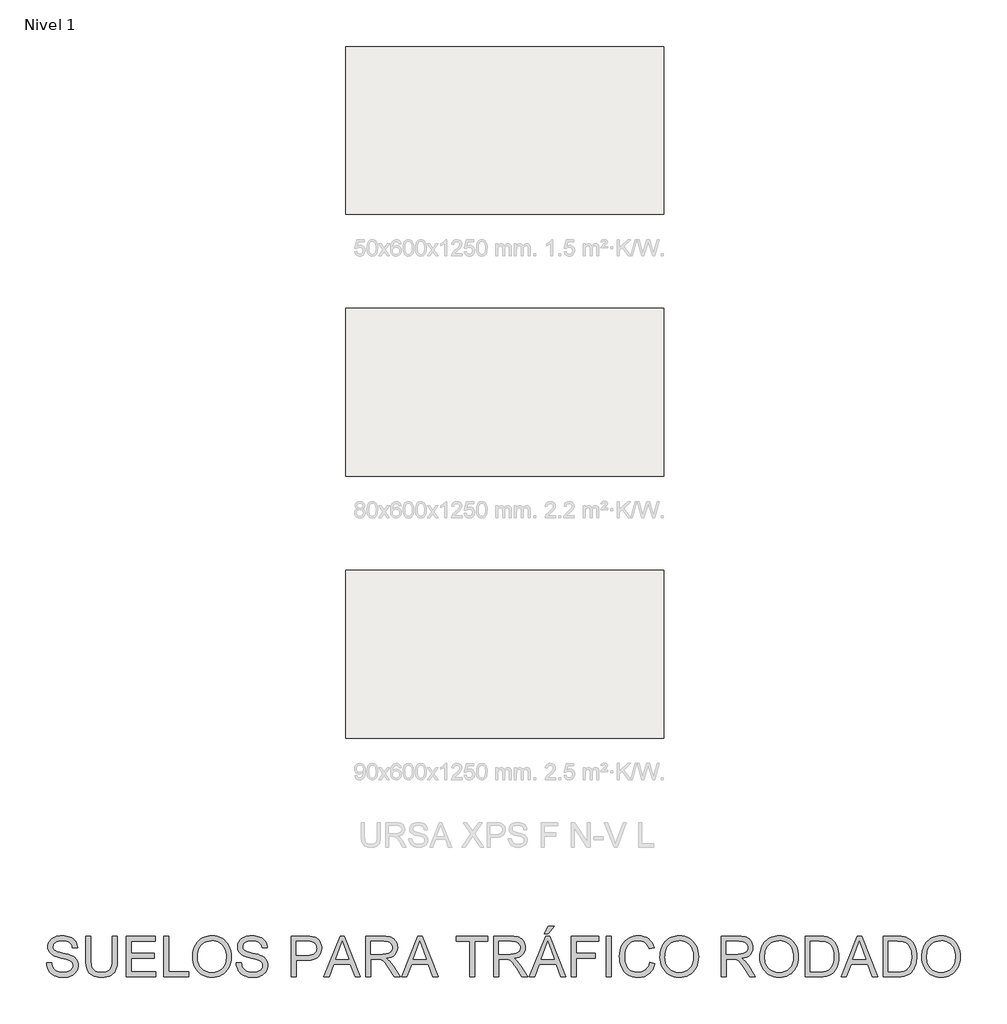
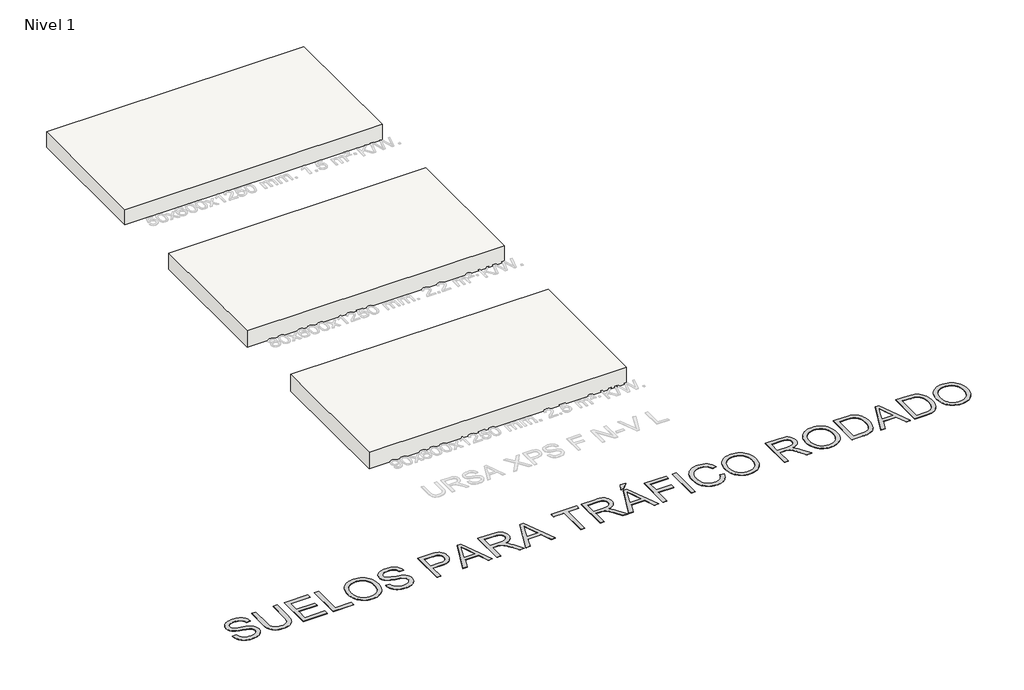
# One storey, part 1 of 4: 3 slabs, 1 proxy.
"""IFC4 building model written with IfcOpenShell, lengths in millimetres."""

from ifc_helpers import new_model, si_unit, frame, origin, origin_with_axes, place, context, project, spatial, polyline, outline, extrude, element, save

model = new_model("IFC4")

# Units and contexts
model_context = context("Model", 3, world=origin())
ifc_project = project(units=[si_unit("LENGTHUNIT", "METRE", prefix="MILLI")], contexts=[model_context])

# Site, building, storey
site = spatial("IfcSite", under=ifc_project)
building = spatial("IfcBuilding", under=site)
storey = spatial("IfcBuildingStorey", under=building, Name="Nivel 1", Elevation=0.0)

# Proxy
placement = place(None, origin())
element("IfcBuildingElementProxy", 1, Name="Texto de modelo 2", ObjectType="Texto de modelo 2", at=placement, inside=storey, context=model_context, shape_type="SweptSolid", body=[
    extrude(outline(polyline([(-27084.6042448, -17302.7125735), (-26959.0338571, -17302.7125735), (-26953.285701, -17339.2631825), (-26944.6251457, -17372.3955547), (-26933.0521912, -17402.10969), (-26918.5668377, -17428.4055885), (-26900.433321, -17451.8120804), (-26877.9158772, -17472.8579962), (-26851.0145063, -17491.5433359), (-26819.7292083, -17507.8680994), (-26785.2096144, -17521.1195155), (-26748.6053559, -17530.5848126), (-26709.9164327, -17536.2639909), (-26669.1428449, -17538.1570504), (-26599.1839522, -17532.4242226), (-26567.4694585, -17525.2581879), (-26537.9316, -17515.2257393), (-26511.2984764, -17502.6870947), (-26488.2981875, -17488.0024717), (-26468.9307333, -17471.1718704), (-26453.1961138, -17452.1952908), (-26441.0176869, -17431.8928032), (-26432.3188105, -17411.0844779), (-26427.0994847, -17389.7703148), (-26425.3597095, -17367.9503139), (-26430.5713711, -17325.919796), (-26446.2063559, -17289.591449), (-26459.3581372, -17273.4736191), (-26477.9668348, -17258.5973909), (-26502.0324486, -17244.9627644), (-26531.5549787, -17232.5697397), (-26597.8657084, -17212.8573961), (-26714.3923303, -17184.622453), (-26834.4138313, -17152.8926309), (-26878.2147813, -17137.6025355), (-26911.2091978, -17122.6956505), (-26944.7401088, -17102.692067), (-26973.7184801, -17080.4505347), (-26998.1443117, -17055.9710536), (-27018.0176037, -17029.2536237), (-27033.414998, -17000.5741565), (-27044.4131369, -16970.2085635), (-27051.0120201, -16938.1568447), (-27053.2116479, -16904.419), (-27050.490854, -16867.025328), (-27042.3284722, -16830.8732578), (-27028.7245026, -16795.9627893), (-27009.6789451, -16762.2939225), (-26985.4063977, -16731.2385508), (-26956.121458, -16704.1685673), (-26921.8241262, -16681.0839721), (-26882.5144021, -16661.9847652), (-26839.518194, -16647.0165665), (-26794.1614096, -16636.324996), (-26746.4440492, -16629.9100537), (-26696.3661126, -16627.7717396), (-26641.7356363, -16630.0096884), (-26590.416098, -16636.7235349), (-26542.4074976, -16647.9132789), (-26497.7098352, -16663.5789205), (-26457.1508452, -16683.582504), (-26421.5582622, -16707.7860736), (-26390.9320861, -16736.1896293), (-26365.2723169, -16768.7931711), (-26344.7782241, -16804.6463372), (-26329.6490771, -16842.7987658), (-26319.8848758, -16883.2504569), (-26315.4856202, -16926.0014104), (-26441.0560079, -16926.0014104), (-26449.4559802, -16885.9329298), (-26464.1099463, -16851.0761107), (-26485.0179064, -16821.4309533), (-26512.1798603, -16796.9974574), (-26546.101646, -16777.8982505), (-26587.289101, -16764.2559599), (-26635.7422255, -16756.0705855), (-26691.4610193, -16753.3421273), (-26748.9579095, -16756.0399286), (-26798.0854842, -16764.1333325), (-26838.8437436, -16777.622339), (-26871.2326876, -16796.5069481), (-26895.9114381, -16819.2083329), (-26913.5391171, -16844.1476665), (-26924.1157244, -16871.3249489), (-26927.6412602, -16900.7401801), (-26925.1427283, -16926.0473956), (-26917.6471327, -16948.9940351), (-26905.1544733, -16969.5800984), (-26887.6647501, -16987.8055856), (-26860.1349141, -17005.0653825), (-26816.7861523, -17022.5091205), (-26757.6184648, -17040.1367994), (-26682.6318514, -17057.9484193), (-26544.1855939, -17091.6096219), (-26495.4718864, -17106.8307394), (-26460.4311263, -17120.9788678), (-26421.9338084, -17142.4233225), (-26388.8474214, -17166.5349216), (-26361.1719655, -17193.3136651), (-26338.9074406, -17222.7595532), (-26321.7932636, -17254.7193015), (-26309.5688515, -17289.039626), (-26302.2342042, -17325.7205266), (-26299.7893218, -17364.7620033), (-26302.6020862, -17404.0410705), (-26311.0403795, -17442.1705065), (-26325.1042016, -17479.1503112), (-26344.7935525, -17514.9804847), (-26369.7635429, -17548.2738052), (-26399.6692835, -17577.6430512), (-26434.5107741, -17603.0882225), (-26474.2880148, -17624.6093192), (-26517.8437102, -17641.7234962), (-26564.0205648, -17653.9479084), (-26612.8185786, -17661.2825556), (-26664.2377517, -17663.7274381), (-26728.4714809, -17661.0909504), (-26787.2636222, -17653.1814875), (-26840.6141757, -17639.9990494), (-26888.5231414, -17621.5436359), (-26931.2817591, -17597.7845904), (-26969.1812688, -17568.691256), (-27002.2216705, -17534.2636326), (-27030.4029642, -17494.5017203), (-27053.104349, -17450.693106), (-27069.705024, -17404.1253768), (-27080.2049893, -17354.7985326), (-27084.6042448, -17302.7125735)])), origin_with_axes(), (0.0, 0.0, 1.0), 10.0),
    extrude(outline(polyline([(-25452.1892049, -16643.4680381), (-25326.6188172, -16643.4680381), (-25326.6188172, -17223.0048078), (-25328.7494671, -17294.7647895), (-25335.1414168, -17358.7226072), (-25345.7946662, -17414.8782609), (-25360.7092154, -17463.2317507), (-25381.1726514, -17505.6148222), (-25408.4725611, -17543.8592213), (-25442.6089446, -17577.9649479), (-25483.5818018, -17607.9320021), (-25531.437118, -17632.3425053), (-25586.2208785, -17649.7785791), (-25647.9330832, -17660.2402233), (-25716.5737321, -17663.7274381), (-25783.520591, -17660.6924116), (-25844.0755003, -17651.5873322), (-25898.2384598, -17636.4121999), (-25946.0094698, -17615.1670147), (-25987.3961942, -17588.1660091), (-26022.4062974, -17555.7234156), (-26051.0397794, -17517.8392343), (-26073.2966401, -17474.5134652), (-26089.9816214, -17424.2592518), (-26101.8994652, -17365.5897378), (-26109.0501715, -17298.5049231), (-26111.4337402, -17223.0048078), (-26111.4337402, -16643.4680381), (-25985.8633526, -16643.4680381), (-25985.8633526, -17218.5902239), (-25984.3151825, -17279.2984173), (-25979.6706723, -17331.4380259), (-25971.929822, -17375.0090497), (-25961.0926316, -17410.0114887), (-25946.4846507, -17438.9745316), (-25927.431429, -17464.4273672), (-25903.9329666, -17486.3699953), (-25875.9892633, -17504.8024161), (-25844.1368139, -17519.3950686), (-25808.9121129, -17529.8183918), (-25770.3151602, -17536.0723857), (-25728.3459559, -17538.1570504), (-25659.1381556, -17534.0337063), (-25600.6295899, -17521.6636743), (-25552.820259, -17501.0469541), (-25532.9278065, -17487.646086), (-25515.7101627, -17472.1835459), (-25500.8224382, -17453.7894461), (-25487.9197437, -17431.5938991), (-25468.0694444, -17375.7984632), (-25456.1592648, -17304.7972381), (-25452.1892049, -17218.5902239), (-25452.1892049, -16643.4680381)])), origin_with_axes(), (0.0, 0.0, 1.0), 10.0),
    extrude(outline(polyline([(-25106.8706388, -17648.0311396), (-25106.8706388, -16643.4680381), (-24384.8409096, -16643.4680381), (-24384.8409096, -16769.0384258), (-24981.3002511, -16769.0384258), (-24981.3002511, -17067.2680965), (-24416.2335065, -17067.2680965), (-24416.2335065, -17192.8384842), (-24981.3002511, -17192.8384842), (-24981.3002511, -17522.4607519), (-24369.1446111, -17522.4607519), (-24369.1446111, -17648.0311396), (-25106.8706388, -17648.0311396)])), origin_with_axes(), (0.0, 0.0, 1.0), 10.0),
    extrude(outline(polyline([(-24180.7890296, -17648.0311396), (-24180.7890296, -16643.4680381), (-24055.2186419, -16643.4680381), (-24055.2186419, -17522.4607519), (-23552.9370911, -17522.4607519), (-23552.9370911, -17648.0311396), (-24180.7890296, -17648.0311396)])), origin_with_axes(), (0.0, 0.0, 1.0), 10.0),
    extrude(outline(polyline([(-23458.7593004, -17158.9933407), (-23456.6669715, -17098.3886141), (-23450.389985, -17041.1638033), (-23439.9283407, -16987.3189084), (-23425.2820388, -16936.8539293), (-23406.4510792, -16889.768866), (-23383.4354618, -16846.0637185), (-23356.2351868, -16805.7384869), (-23324.8502541, -16768.7931711), (-23290.1582156, -16735.7412731), (-23253.036623, -16707.0962949), (-23213.4854764, -16682.8582363), (-23171.5047758, -16663.0270975), (-23127.0945212, -16647.6028784), (-23080.2547126, -16636.5855791), (-23030.9853499, -16629.9751995), (-22979.2864333, -16627.7717396), (-22911.7034451, -16631.9104121), (-22847.5233654, -16644.3264294), (-22786.7461941, -16665.0197917), (-22729.3719313, -16693.9904988), (-22677.0100606, -16730.364831), (-22631.2700659, -16773.2690687), (-22592.1519471, -16822.7032118), (-22559.6557041, -16878.6672604), (-22534.1185623, -16939.8889557), (-22515.8777467, -17005.0960394), (-22504.9332574, -17074.2885113), (-22501.2850942, -17147.4663715), (-22505.1248626, -17221.6099219), (-22516.6441675, -17291.7374273), (-22535.8430092, -17357.8488875), (-22562.7213874, -17419.9443026), (-22596.6431731, -17476.383532), (-22636.9722368, -17525.5264352), (-22683.7085786, -17567.3730122), (-22736.8521985, -17601.9232629), (-22794.3107676, -17628.9625895), (-22853.9919571, -17648.2763943), (-22915.895767, -17659.8646771), (-22980.0221973, -17663.7274381), (-23048.7854736, -17659.4584741), (-23113.8086162, -17646.6515821), (-23175.0916252, -17625.3067622), (-23232.6345007, -17595.4240143), (-23284.9350576, -17558.1606339), (-23330.4911114, -17514.6739163), (-23369.3026619, -17464.9638617), (-23401.3697091, -17409.0304701), (-23426.4776553, -17349.1193543), (-23444.4119025, -17287.4761275), (-23455.1724509, -17224.1007896), (-23458.7593004, -17158.9933407)]), holes=[polyline([(-23333.1889127, -17160.219614), (-23331.619666, -17203.0127207), (-23326.9119261, -17243.4682438), (-23319.065693, -17281.5861835), (-23308.0809665, -17317.3665396), (-23293.9577468, -17350.8093122), (-23276.6960338, -17381.9145013), (-23256.2958275, -17410.6821069), (-23232.757128, -17437.112129), (-23206.8501881, -17460.7945325), (-23179.3452608, -17481.3192821), (-23150.2423461, -17498.686378), (-23119.541444, -17512.89582), (-23087.2425544, -17523.9476083), (-23053.3456775, -17531.8417428), (-23017.8508131, -17536.5782235), (-22980.7579613, -17538.1570504), (-22942.9868271, -17536.5628951), (-22906.9286434, -17531.7804291), (-22872.5834102, -17523.8096526), (-22839.9511276, -17512.6505654), (-22809.0317956, -17498.3031676), (-22779.8254141, -17480.7674591), (-22752.3319831, -17460.0434401), (-22726.5515026, -17436.1311104), (-22703.1852478, -17409.287221), (-22682.9344936, -17379.768523), (-22665.79924, -17347.5750164), (-22651.7794871, -17312.706701), (-22640.8752348, -17275.163577), (-22633.0864832, -17234.9456443), (-22628.4132323, -17192.0529029), (-22626.8554819, -17146.4853528), (-22629.5226264, -17089.0191195), (-22637.5240598, -17035.3236766), (-22650.8597821, -16985.3990242), (-22669.5297934, -16939.2451622), (-22693.3271599, -16897.4675631), (-22722.0449482, -16860.6716994), (-22755.6831581, -16828.857571), (-22794.2417897, -16802.025178), (-22836.5252266, -16780.7263433), (-22881.3378521, -16765.51289), (-22928.6796664, -16756.384818), (-22978.5506693, -16753.3421273), (-23048.616861, -16759.2052466), (-23113.6246752, -16776.7946045), (-23144.2316908, -16789.9866229), (-23173.574112, -16806.110201), (-23228.4651714, -16847.1520361), (-23253.0097982, -16872.5646345), (-23274.2818082, -16901.8974755), (-23292.2812012, -16935.150559), (-23307.0079774, -16972.323885), (-23318.4621366, -17013.4174535), (-23326.6436788, -17058.4312645), (-23331.5526042, -17107.365318), (-23333.1889127, -17160.219614)])]), origin_with_axes(), (0.0, 0.0, 1.0), 10.0),
    extrude(outline(polyline([(-22375.7147066, -17302.7125735), (-22250.1443189, -17302.7125735), (-22244.3961627, -17339.2631825), (-22235.7356074, -17372.3955547), (-22224.162653, -17402.10969), (-22209.6772994, -17428.4055885), (-22191.5437827, -17451.8120804), (-22169.0263389, -17472.8579962), (-22142.124968, -17491.5433359), (-22110.83967, -17507.8680994), (-22076.3200762, -17521.1195155), (-22039.7158176, -17530.5848126), (-22001.0268945, -17536.2639909), (-21960.2533067, -17538.1570504), (-21890.2944139, -17532.4242226), (-21858.5799203, -17525.2581879), (-21829.0420617, -17515.2257393), (-21802.4089381, -17502.6870947), (-21779.4086492, -17488.0024717), (-21760.041195, -17471.1718704), (-21744.3065755, -17452.1952908), (-21732.1281486, -17431.8928032), (-21723.4292723, -17411.0844779), (-21718.2099465, -17389.7703148), (-21716.4701712, -17367.9503139), (-21721.6818328, -17325.919796), (-21737.3168176, -17289.591449), (-21750.4685989, -17273.4736191), (-21769.0772965, -17258.5973909), (-21793.1429104, -17244.9627644), (-21822.6654405, -17232.5697397), (-21888.9761701, -17212.8573961), (-22005.5027921, -17184.622453), (-22125.524293, -17152.8926309), (-22169.3252431, -17137.6025355), (-22202.3196595, -17122.6956505), (-22235.8505705, -17102.692067), (-22264.8289418, -17080.4505347), (-22289.2547735, -17055.9710536), (-22309.1280654, -17029.2536237), (-22324.5254598, -17000.5741565), (-22335.5235986, -16970.2085635), (-22342.1224819, -16938.1568447), (-22344.3221096, -16904.419), (-22341.6013157, -16867.025328), (-22333.4389339, -16830.8732578), (-22319.8349643, -16795.9627893), (-22300.7894069, -16762.2939225), (-22276.5168594, -16731.2385508), (-22247.2319197, -16704.1685673), (-22212.9345879, -16681.0839721), (-22173.6248639, -16661.9847652), (-22130.6286557, -16647.0165665), (-22085.2718714, -16636.324996), (-22037.5545109, -16629.9100537), (-21987.4765743, -16627.7717396), (-21932.846098, -16630.0096884), (-21881.5265597, -16636.7235349), (-21833.5179593, -16647.9132789), (-21788.8202969, -16663.5789205), (-21748.261307, -16683.582504), (-21712.6687239, -16707.7860736), (-21682.0425478, -16736.1896293), (-21656.3827787, -16768.7931711), (-21635.8886858, -16804.6463372), (-21620.7595388, -16842.7987658), (-21610.9953375, -16883.2504569), (-21606.596082, -16926.0014104), (-21732.1664697, -16926.0014104), (-21740.5664419, -16885.9329298), (-21755.220408, -16851.0761107), (-21776.1283681, -16821.4309533), (-21803.2903221, -16796.9974574), (-21837.2121077, -16777.8982505), (-21878.3995627, -16764.2559599), (-21926.8526872, -16756.0705855), (-21982.571481, -16753.3421273), (-22040.0683712, -16756.0399286), (-22089.195946, -16764.1333325), (-22129.9542054, -16777.622339), (-22162.3431494, -16796.5069481), (-22187.0218999, -16819.2083329), (-22204.6495788, -16844.1476665), (-22215.2261862, -16871.3249489), (-22218.751722, -16900.7401801), (-22216.2531901, -16926.0473956), (-22208.7575944, -16948.9940351), (-22196.264935, -16969.5800984), (-22178.7752118, -16987.8055856), (-22151.2453758, -17005.0653825), (-22107.8966141, -17022.5091205), (-22048.7289265, -17040.1367994), (-21973.7423132, -17057.9484193), (-21835.2960556, -17091.6096219), (-21786.5823481, -17106.8307394), (-21751.5415881, -17120.9788678), (-21713.0442701, -17142.4233225), (-21679.9578832, -17166.5349216), (-21652.2824273, -17193.3136651), (-21630.0179023, -17222.7595532), (-21612.9037254, -17254.7193015), (-21600.6793132, -17289.039626), (-21593.3446659, -17325.7205266), (-21590.8997835, -17364.7620033), (-21593.7125479, -17404.0410705), (-21602.1508412, -17442.1705065), (-21616.2146633, -17479.1503112), (-21635.9040143, -17514.9804847), (-21660.8740047, -17548.2738052), (-21690.7797452, -17577.6430512), (-21725.6212358, -17603.0882225), (-21765.3984766, -17624.6093192), (-21808.954172, -17641.7234962), (-21855.1310266, -17653.9479084), (-21903.9290404, -17661.2825556), (-21955.3482134, -17663.7274381), (-22019.5819426, -17661.0909504), (-22078.374084, -17653.1814875), (-22131.7246375, -17639.9990494), (-22179.6336031, -17621.5436359), (-22222.3922209, -17597.7845904), (-22260.2917306, -17568.691256), (-22293.3321323, -17534.2636326), (-22321.5134259, -17494.5017203), (-22344.2148107, -17450.693106), (-22360.8154858, -17404.1253768), (-22371.315451, -17354.7985326), (-22375.7147066, -17302.7125735)])), origin_with_axes(), (0.0, 0.0, 1.0), 10.0),
    extrude(outline(polyline([(-21010.1367405, -17648.0311396), (-21010.1367405, -16643.4680381), (-20637.8401613, -16643.4680381), (-20551.1426378, -16645.8592711), (-20487.7443073, -16653.03297), (-20452.803182, -16660.5668867), (-20420.820441, -16670.9059036), (-20391.7960844, -16684.0500207), (-20365.7301122, -16699.999238), (-20342.3466129, -16719.0831165), (-20321.369675, -16741.6312171), (-20302.7992984, -16767.6435399), (-20286.6354833, -16797.1200848), (-20273.5450156, -16829.0874973), (-20264.1946816, -16862.5724231), (-20258.5844812, -16897.5748621), (-20256.7144143, -16934.0948143), (-20261.7651276, -16995.7610337), (-20276.9172672, -17052.4915031), (-20302.1708334, -17104.2862223), (-20337.525826, -17151.1451914), (-20359.7616101, -17171.9535168), (-20386.0632567, -17189.9873988), (-20416.4307658, -17205.2468374), (-20450.8641373, -17217.7318326), (-20489.3633713, -17227.4423844), (-20531.9284678, -17234.3784929), (-20629.2562481, -17239.9273796), (-20884.5663528, -17239.9273796), (-20884.5663528, -17648.0311396), (-21010.1367405, -17648.0311396)]), holes=[polyline([(-20884.5663528, -17114.3569919), (-20621.8986082, -17114.3569919), (-20561.5046473, -17111.4752496), (-20510.552991, -17102.8300227), (-20469.0436392, -17088.4213113), (-20436.976592, -17068.2491152), (-20413.0489339, -17042.8499291), (-20395.9577495, -17012.7602476), (-20385.7030389, -16977.9800706), (-20382.284802, -16938.5093982), (-20384.3004888, -16909.201466), (-20390.3475491, -16882.1008256), (-20400.4259829, -16857.2074773), (-20414.5357903, -16834.5214209), (-20431.9258788, -16814.7784205), (-20451.845156, -16798.7142401), (-20474.2936219, -16786.3288796), (-20499.2712765, -16777.622339), (-20547.7090725, -16771.1844041), (-20624.8416642, -16769.0384258), (-20884.5663528, -16769.0384258), (-20884.5663528, -17114.3569919)])]), origin_with_axes(), (0.0, 0.0, 1.0), 10.0),
    extrude(outline(polyline([(-20201.0416057, -17648.0311396), (-19800.050231, -16643.4680381), (-19693.1191977, -16643.4680381), (-19292.127823, -17648.0311396), (-19424.8105959, -17648.0311396), (-19539.8350331, -17334.1051704), (-19953.5796503, -17334.1051704), (-20068.3588328, -17648.0311396), (-20201.0416057, -17648.0311396)]), holes=[polyline([(-19907.4717736, -17208.5347827), (-19585.6976551, -17208.5347827), (-19676.196626, -16961.5633366), (-19746.5847144, -16769.0384258), (-19809.1246535, -16939.9809262), (-19907.4717736, -17208.5347827)])]), origin_with_axes(), (0.0, 0.0, 1.0), 10.0),
    extrude(outline(polyline([(-19157.9735221, -17648.0311396), (-19157.9735221, -16643.4680381), (-18725.0990411, -16643.4680381), (-18662.9653049, -16645.1618281), (-18608.7563601, -16650.2431982), (-18562.4722066, -16658.7121483), (-18524.1128444, -16670.5686784), (-18491.4479889, -16686.7248294), (-18462.2473555, -16708.0926419), (-18436.5109443, -16734.6721161), (-18414.2387552, -16766.4632518), (-18396.2661869, -16801.7569307), (-18383.4286381, -16838.8440344), (-18375.7261088, -16877.7245627), (-18373.158599, -16918.3985158), (-18377.4122346, -16969.9939657), (-18390.1731413, -17017.3587725), (-18411.4413192, -17060.4929365), (-18441.2167681, -17099.3964575), (-18479.8826987, -17132.8277338), (-18527.8223212, -17159.5451637), (-18585.0356356, -17179.5487472), (-18651.5226421, -17192.8384842), (-18610.1359176, -17219.8778109), (-18580.153535, -17246.5492555), (-18528.7113693, -17307.5563531), (-18478.3728497, -17375.7984632), (-18310.8639145, -17648.0311396), (-18456.7904393, -17648.0311396), (-18587.5111749, -17439.8099303), (-18639.8117319, -17360.3474194), (-18681.9342203, -17301.9768095), (-18717.036294, -17261.7857015), (-18748.2756068, -17236.8616963), (-18777.8594506, -17222.238387), (-18807.9951173, -17212.9493666), (-18880.8357524, -17208.5347827), (-19032.4031344, -17208.5347827), (-19032.4031344, -17648.0311396), (-19157.9735221, -17648.0311396)]), holes=[polyline([(-19032.4031344, -17082.964395), (-18751.3412901, -17082.964395), (-18670.621849, -17078.5191542), (-18607.9899393, -17065.1834319), (-18582.805351, -17054.9593781), (-18560.8397302, -17042.0681799), (-18542.0930769, -17026.5098372), (-18526.565391, -17008.28435), (-18514.3869641, -16988.2884307), (-18505.6880878, -16967.4187917), (-18500.468762, -16945.6754329), (-18498.7289867, -16923.0583544), (-18502.0475889, -16890.9453219), (-18512.0033954, -16861.8060022), (-18528.5964062, -16835.6403953), (-18551.8266214, -16812.4485012), (-18582.2305354, -16793.4565932), (-18620.344643, -16779.8909446), (-18666.168944, -16771.7515555), (-18719.7034385, -16769.0384258), (-19032.4031344, -16769.0384258), (-19032.4031344, -17082.964395)])]), origin_with_axes(), (0.0, 0.0, 1.0), 10.0),
    extrude(outline(polyline([(-18270.3968951, -17648.0311396), (-17869.4055203, -16643.4680381), (-17762.474487, -16643.4680381), (-17361.4831123, -17648.0311396), (-17494.1658852, -17648.0311396), (-17609.1903224, -17334.1051704), (-18022.9349396, -17334.1051704), (-18137.7141221, -17648.0311396), (-18270.3968951, -17648.0311396)]), holes=[polyline([(-17976.8270629, -17208.5347827), (-17655.0529445, -17208.5347827), (-17745.5519153, -16961.5633366), (-17815.9400037, -16769.0384258), (-17878.4799429, -16939.9809262), (-17976.8270629, -17208.5347827)])]), origin_with_axes(), (0.0, 0.0, 1.0), 10.0),
    extrude(outline(polyline([(-16583.7805745, -17648.0311396), (-16583.7805745, -16769.0384258), (-16913.4028422, -16769.0384258), (-16913.4028422, -16643.4680381), (-16128.5879191, -16643.4680381), (-16128.5879191, -16769.0384258), (-16458.2101868, -16769.0384258), (-16458.2101868, -17648.0311396), (-16583.7805745, -17648.0311396)])), origin_with_axes(), (0.0, 0.0, 1.0), 10.0),
    extrude(outline(polyline([(-15987.321233, -17648.0311396), (-15987.321233, -16643.4680381), (-15554.446752, -16643.4680381), (-15492.3130158, -16645.1618281), (-15438.104071, -16650.2431982), (-15391.8199175, -16658.7121483), (-15353.4605553, -16670.5686784), (-15320.7956998, -16686.7248294), (-15291.5950664, -16708.0926419), (-15265.8586552, -16734.6721161), (-15243.5864661, -16766.4632518), (-15225.6138978, -16801.7569307), (-15212.776349, -16838.8440344), (-15205.0738197, -16877.7245627), (-15202.5063099, -16918.3985158), (-15206.7599455, -16969.9939657), (-15219.5208522, -17017.3587725), (-15240.7890301, -17060.4929365), (-15270.564479, -17099.3964575), (-15309.2304096, -17132.8277338), (-15357.1700321, -17159.5451637), (-15414.3833465, -17179.5487472), (-15480.870353, -17192.8384842), (-15439.4836285, -17219.8778109), (-15409.5012459, -17246.5492555), (-15358.0590802, -17307.5563531), (-15307.7205606, -17375.7984632), (-15140.2116254, -17648.0311396), (-15286.1381502, -17648.0311396), (-15416.8588858, -17439.8099303), (-15469.1594428, -17360.3474194), (-15511.2819312, -17301.9768095), (-15546.3840049, -17261.7857015), (-15577.6233177, -17236.8616963), (-15607.2071615, -17222.238387), (-15637.3428282, -17212.9493666), (-15710.1834633, -17208.5347827), (-15861.7508453, -17208.5347827), (-15861.7508453, -17648.0311396), (-15987.321233, -17648.0311396)]), holes=[polyline([(-15861.7508453, -17082.964395), (-15580.689001, -17082.964395), (-15499.9695599, -17078.5191542), (-15437.3376502, -17065.1834319), (-15412.1530619, -17054.9593781), (-15390.1874411, -17042.0681799), (-15371.4407878, -17026.5098372), (-15355.9131019, -17008.28435), (-15343.734675, -16988.2884307), (-15335.0357987, -16967.4187917), (-15329.8164729, -16945.6754329), (-15328.0766976, -16923.0583544), (-15331.3952998, -16890.9453219), (-15341.3511063, -16861.8060022), (-15357.9441171, -16835.6403953), (-15381.1743323, -16812.4485012), (-15411.5782463, -16793.4565932), (-15449.6923539, -16779.8909446), (-15495.5166549, -16771.7515555), (-15549.0511494, -16769.0384258), (-15861.7508453, -16769.0384258), (-15861.7508453, -17082.964395)])]), origin_with_axes(), (0.0, 0.0, 1.0), 10.0),
    extrude(outline(polyline([(-15099.744606, -17648.0311396), (-14698.7532312, -16643.4680381), (-14591.8221979, -16643.4680381), (-14190.8308232, -17648.0311396), (-14323.5135961, -17648.0311396), (-14438.5380333, -17334.1051704), (-14852.2826505, -17334.1051704), (-14967.061833, -17648.0311396), (-15099.744606, -17648.0311396)]), holes=[polyline([(-14806.1747738, -17208.5347827), (-14484.4006554, -17208.5347827), (-14574.8996262, -16961.5633366), (-14645.2877146, -16769.0384258), (-14707.8276538, -16939.9809262), (-14806.1747738, -17208.5347827)])]), origin_with_axes(), (0.0, 0.0, 1.0), 10.0),
    extrude(outline(polyline([(-14731.6173561, -16580.6828443), (-14637.4395653, -16392.3272627), (-14480.4765807, -16392.3272627), (-14637.4395653, -16580.6828443), (-14731.6173561, -16580.6828443)])), origin_with_axes(), (0.0, 0.0, 1.0), 10.0),
    extrude(outline(polyline([(-14056.6765223, -17648.0311396), (-14056.6765223, -16643.4680381), (-13381.7356885, -16643.4680381), (-13381.7356885, -16769.0384258), (-13931.1061346, -16769.0384258), (-13931.1061346, -17067.2680965), (-13460.2171808, -17067.2680965), (-13460.2171808, -17192.8384842), (-13931.1061346, -17192.8384842), (-13931.1061346, -17648.0311396), (-14056.6765223, -17648.0311396)])), origin_with_axes(), (0.0, 0.0, 1.0), 10.0),
    extrude(outline(polyline([(-13193.3801069, -17648.0311396), (-13193.3801069, -16643.4680381), (-13067.8097193, -16643.4680381), (-13067.8097193, -17648.0311396), (-13193.3801069, -17648.0311396)])), origin_with_axes(), (0.0, 0.0, 1.0), 10.0),
    extrude(outline(polyline([(-12110.3355131, -17290.9403496), (-11984.7651255, -17323.3139652), (-12009.6124886, -17401.4045829), (-12042.7065397, -17469.6390288), (-12084.0472789, -17528.0173029), (-12107.8101565, -17553.5103755), (-12133.6347062, -17576.5394052), (-12190.3498471, -17614.6841696), (-12253.0737273, -17641.9304298), (-12321.8063467, -17658.278186), (-12396.5477054, -17663.7274381), (-12473.1208099, -17659.604094), (-12542.1983187, -17647.2340619), (-12603.7802318, -17626.6173418), (-12657.8665493, -17597.7539336), (-12705.2006993, -17561.073033), (-12746.5261101, -17517.0038357), (-12781.8427817, -17465.5463416), (-12811.150714, -17406.7005508), (-12834.1663313, -17343.0109803), (-12850.6060579, -17277.0221475), (-12860.4698939, -17208.7340521), (-12863.7578393, -17138.1466943), (-12860.0406983, -17062.4089885), (-12848.8892753, -16991.6683465), (-12830.3035703, -16925.9247683), (-12804.2835834, -16865.1782539), (-12771.4117943, -16810.4328145), (-12732.2706828, -16762.6924614), (-12686.860249, -16721.9571946), (-12635.1804929, -16688.2270142), (-12578.9865182, -16661.7778316), (-12520.0334284, -16642.8855583), (-12458.3212238, -16631.5501943), (-12393.8499041, -16627.7717396), (-12322.0286087, -16632.6615045), (-12256.1700674, -16647.3307991), (-12196.2742801, -16671.7796233), (-12142.3412467, -16706.0079773), (-12095.2600156, -16749.1114844), (-12055.9196347, -16800.185768), (-12024.3201042, -16859.2308283), (-12000.4614239, -16926.2466651), (-12126.0318116, -16956.167734), (-12145.8054688, -16906.7872404), (-12169.5645144, -16864.595774), (-12197.3089482, -16829.593335), (-12229.0387703, -16801.7799234), (-12264.9379216, -16780.5883876), (-12305.1903433, -16765.4515763), (-12349.7960352, -16756.3694896), (-12398.7549974, -16753.3421273), (-12455.0869279, -16756.6990505), (-12506.6057356, -16766.7698202), (-12553.3114206, -16783.5544362), (-12595.2039828, -16807.0528986), (-12631.7545919, -16836.2075467), (-12662.4344174, -16869.9607198), (-12687.2434595, -16908.3124178), (-12706.181718, -16951.2626407), (-12720.1842264, -16996.8646797), (-12730.1860182, -17043.1718259), (-12736.1870932, -17090.1840792), (-12738.1874516, -17137.9014396), (-12735.8192112, -17197.8662048), (-12728.7144902, -17253.9068954), (-12716.8732885, -17306.0235114), (-12700.2956061, -17354.2160528), (-12678.7131957, -17397.5264935), (-12651.85781, -17434.9968076), (-12619.7294491, -17466.6269949), (-12582.328113, -17492.4170556), (-12541.4702189, -17512.4283033), (-12498.9721842, -17526.7220517), (-12454.834009, -17535.2983007), (-12409.0556932, -17538.1570504), (-12354.463538, -17534.2636326), (-12304.2399814, -17522.5833792), (-12258.3850236, -17503.1162903), (-12216.8986644, -17475.8623659), (-12180.7619226, -17440.9442331), (-12150.9558168, -17398.4845195), (-12127.480347, -17348.483225), (-12110.3355131, -17290.9403496)])), origin_with_axes(), (0.0, 0.0, 1.0), 10.0),
    extrude(outline(polyline([(-11859.1947378, -17158.9933407), (-11857.1024089, -17098.3886141), (-11850.8254224, -17041.1638033), (-11840.3637781, -16987.3189084), (-11825.7174762, -16936.8539293), (-11806.8865166, -16889.768866), (-11783.8708993, -16846.0637185), (-11756.6706242, -16805.7384869), (-11725.2856915, -16768.7931711), (-11690.593653, -16735.7412731), (-11653.4720604, -16707.0962949), (-11613.9209138, -16682.8582363), (-11571.9402132, -16663.0270975), (-11527.5299586, -16647.6028784), (-11480.69015, -16636.5855791), (-11431.4207874, -16629.9751995), (-11379.7218707, -16627.7717396), (-11312.1388825, -16631.9104121), (-11247.9588028, -16644.3264294), (-11187.1816315, -16665.0197917), (-11129.8073687, -16693.9904988), (-11077.445498, -16730.364831), (-11031.7055033, -16773.2690687), (-10992.5873845, -16822.7032118), (-10960.0911416, -16878.6672604), (-10934.5539997, -16939.8889557), (-10916.3131841, -17005.0960394), (-10905.3686948, -17074.2885113), (-10901.7205317, -17147.4663715), (-10905.5603, -17221.6099219), (-10917.079605, -17291.7374273), (-10936.2784466, -17357.8488875), (-10963.1568249, -17419.9443026), (-10997.0786105, -17476.383532), (-11037.4076742, -17525.5264352), (-11084.144016, -17567.3730122), (-11137.2876359, -17601.9232629), (-11194.746205, -17628.9625895), (-11254.4273945, -17648.2763943), (-11316.3312044, -17659.8646771), (-11380.4576347, -17663.7274381), (-11449.220911, -17659.4584741), (-11514.2440536, -17646.6515821), (-11575.5270627, -17625.3067622), (-11633.0699381, -17595.4240143), (-11685.3704951, -17558.1606339), (-11730.9265488, -17514.6739163), (-11769.7380993, -17464.9638617), (-11801.8051465, -17409.0304701), (-11826.9130927, -17349.1193543), (-11844.84734, -17287.4761275), (-11855.6078883, -17224.1007896), (-11859.1947378, -17158.9933407)]), holes=[polyline([(-11733.6243501, -17160.219614), (-11732.0551035, -17203.0127207), (-11727.3473635, -17243.4682438), (-11719.5011304, -17281.5861835), (-11708.5164039, -17317.3665396), (-11694.3931842, -17350.8093122), (-11677.1314712, -17381.9145013), (-11656.7312649, -17410.6821069), (-11633.1925654, -17437.112129), (-11607.2856255, -17460.7945325), (-11579.7806982, -17481.3192821), (-11550.6777835, -17498.686378), (-11519.9768814, -17512.89582), (-11487.6779918, -17523.9476083), (-11453.7811149, -17531.8417428), (-11418.2862505, -17536.5782235), (-11381.1933987, -17538.1570504), (-11343.4222645, -17536.5628951), (-11307.3640808, -17531.7804291), (-11273.0188477, -17523.8096526), (-11240.3865651, -17512.6505654), (-11209.467233, -17498.3031676), (-11180.2608515, -17480.7674591), (-11152.7674205, -17460.0434401), (-11126.98694, -17436.1311104), (-11103.6206852, -17409.287221), (-11083.369931, -17379.768523), (-11066.2346774, -17347.5750164), (-11052.2149245, -17312.706701), (-11041.3106723, -17275.163577), (-11033.5219206, -17234.9456443), (-11028.8486697, -17192.0529029), (-11027.2909193, -17146.4853528), (-11029.9580638, -17089.0191195), (-11037.9594972, -17035.3236766), (-11051.2952195, -16985.3990242), (-11069.9652308, -16939.2451622), (-11093.7625974, -16897.4675631), (-11122.4803856, -16860.6716994), (-11156.1185955, -16828.857571), (-11194.6772272, -16802.025178), (-11236.960664, -16780.7263433), (-11281.7732895, -16765.51289), (-11329.1151038, -16756.384818), (-11378.9861067, -16753.3421273), (-11449.0522984, -16759.2052466), (-11514.0601126, -16776.7946045), (-11544.6671282, -16789.9866229), (-11574.0095494, -16806.110201), (-11628.9006088, -16847.1520361), (-11653.4452357, -16872.5646345), (-11674.7172456, -16901.8974755), (-11692.7166386, -16935.150559), (-11707.4434148, -16972.323885), (-11718.897574, -17013.4174535), (-11727.0791163, -17058.4312645), (-11731.9880416, -17107.365318), (-11733.6243501, -17160.219614)])]), origin_with_axes(), (0.0, 0.0, 1.0), 10.0),
    extrude(outline(polyline([(-10336.6537871, -17648.0311396), (-10336.6537871, -16643.4680381), (-9903.7793061, -16643.4680381), (-9841.6455699, -16645.1618281), (-9787.4366251, -16650.2431982), (-9741.1524716, -16658.7121483), (-9702.7931094, -16670.5686784), (-9670.1282539, -16686.7248294), (-9640.9276205, -16708.0926419), (-9615.1912093, -16734.6721161), (-9592.9190202, -16766.4632518), (-9574.9464518, -16801.7569307), (-9562.1089031, -16838.8440344), (-9554.4063738, -16877.7245627), (-9551.838864, -16918.3985158), (-9556.0924996, -16969.9939657), (-9568.8534063, -17017.3587725), (-9590.1215841, -17060.4929365), (-9619.8970331, -17099.3964575), (-9658.5629637, -17132.8277338), (-9706.5025862, -17159.5451637), (-9763.7159006, -17179.5487472), (-9830.202907, -17192.8384842), (-9788.8161826, -17219.8778109), (-9758.8338, -17246.5492555), (-9707.3916343, -17307.5563531), (-9657.0531146, -17375.7984632), (-9489.5441795, -17648.0311396), (-9635.4707043, -17648.0311396), (-9766.1914399, -17439.8099303), (-9818.4919969, -17360.3474194), (-9860.6144853, -17301.9768095), (-9895.716559, -17261.7857015), (-9926.9558718, -17236.8616963), (-9956.5397156, -17222.238387), (-9986.6753823, -17212.9493666), (-10059.5160174, -17208.5347827), (-10211.0833994, -17208.5347827), (-10211.0833994, -17648.0311396), (-10336.6537871, -17648.0311396)]), holes=[polyline([(-10211.0833994, -17082.964395), (-9930.0215551, -17082.964395), (-9849.302114, -17078.5191542), (-9786.6702043, -17065.1834319), (-9761.485616, -17054.9593781), (-9739.5199952, -17042.0681799), (-9720.7733419, -17026.5098372), (-9705.245656, -17008.28435), (-9693.0672291, -16988.2884307), (-9684.3683528, -16967.4187917), (-9679.149027, -16945.6754329), (-9677.4092517, -16923.0583544), (-9680.7278539, -16890.9453219), (-9690.6836604, -16861.8060022), (-9707.2766712, -16835.6403953), (-9730.5068863, -16812.4485012), (-9760.9108004, -16793.4565932), (-9799.024908, -16779.8909446), (-9844.849209, -16771.7515555), (-9898.3837035, -16769.0384258), (-10211.0833994, -16769.0384258), (-10211.0833994, -17082.964395)])]), origin_with_axes(), (0.0, 0.0, 1.0), 10.0),
    extrude(outline(polyline([(-9379.179581, -17158.9933407), (-9377.0872521, -17098.3886141), (-9370.8102656, -17041.1638033), (-9360.3486213, -16987.3189084), (-9345.7023194, -16936.8539293), (-9326.8713598, -16889.768866), (-9303.8557424, -16846.0637185), (-9276.6554674, -16805.7384869), (-9245.2705347, -16768.7931711), (-9210.5784961, -16735.7412731), (-9173.4569036, -16707.0962949), (-9133.905757, -16682.8582363), (-9091.9250564, -16663.0270975), (-9047.5148018, -16647.6028784), (-9000.6749932, -16636.5855791), (-8951.4056305, -16629.9751995), (-8899.7067139, -16627.7717396), (-8832.1237257, -16631.9104121), (-8767.943646, -16644.3264294), (-8707.1664747, -16665.0197917), (-8649.7922119, -16693.9904988), (-8597.4303412, -16730.364831), (-8551.6903465, -16773.2690687), (-8512.5722277, -16822.7032118), (-8480.0759847, -16878.6672604), (-8454.5388429, -16939.8889557), (-8436.2980273, -17005.0960394), (-8425.353538, -17074.2885113), (-8421.7053748, -17147.4663715), (-8425.5451432, -17221.6099219), (-8437.0644481, -17291.7374273), (-8456.2632898, -17357.8488875), (-8483.141668, -17419.9443026), (-8517.0634537, -17476.383532), (-8557.3925174, -17525.5264352), (-8604.1288592, -17567.3730122), (-8657.2724791, -17601.9232629), (-8714.7310482, -17628.9625895), (-8774.4122377, -17648.2763943), (-8836.3160476, -17659.8646771), (-8900.4424779, -17663.7274381), (-8969.2057542, -17659.4584741), (-9034.2288968, -17646.6515821), (-9095.5119058, -17625.3067622), (-9153.0547813, -17595.4240143), (-9205.3553382, -17558.1606339), (-9250.911392, -17514.6739163), (-9289.7229425, -17464.9638617), (-9321.7899897, -17409.0304701), (-9346.8979359, -17349.1193543), (-9364.8321831, -17287.4761275), (-9375.5927315, -17224.1007896), (-9379.179581, -17158.9933407)]), holes=[polyline([(-9253.6091933, -17160.219614), (-9252.0399466, -17203.0127207), (-9247.3322067, -17243.4682438), (-9239.4859735, -17281.5861835), (-9228.5012471, -17317.3665396), (-9214.3780274, -17350.8093122), (-9197.1163144, -17381.9145013), (-9176.7161081, -17410.6821069), (-9153.1774086, -17437.112129), (-9127.2704687, -17460.7945325), (-9099.7655414, -17481.3192821), (-9070.6626267, -17498.686378), (-9039.9617246, -17512.89582), (-9007.662835, -17523.9476083), (-8973.7659581, -17531.8417428), (-8938.2710937, -17536.5782235), (-8901.1782419, -17538.1570504), (-8863.4071077, -17536.5628951), (-8827.348924, -17531.7804291), (-8793.0036908, -17523.8096526), (-8760.3714082, -17512.6505654), (-8729.4520762, -17498.3031676), (-8700.2456946, -17480.7674591), (-8672.7522637, -17460.0434401), (-8646.9717832, -17436.1311104), (-8623.6055284, -17409.287221), (-8603.3547742, -17379.768523), (-8586.2195206, -17347.5750164), (-8572.1997677, -17312.706701), (-8561.2955154, -17275.163577), (-8553.5067638, -17234.9456443), (-8548.8335129, -17192.0529029), (-8547.2757625, -17146.4853528), (-8549.942907, -17089.0191195), (-8557.9443404, -17035.3236766), (-8571.2800627, -16985.3990242), (-8589.950074, -16939.2451622), (-8613.7474405, -16897.4675631), (-8642.4652288, -16860.6716994), (-8676.1034387, -16828.857571), (-8714.6620703, -16802.025178), (-8756.9455072, -16780.7263433), (-8801.7581327, -16765.51289), (-8849.0999469, -16756.384818), (-8898.9709499, -16753.3421273), (-8969.0371416, -16759.2052466), (-9034.0449558, -16776.7946045), (-9064.6519714, -16789.9866229), (-9093.9943926, -16806.110201), (-9148.885452, -16847.1520361), (-9173.4300788, -16872.5646345), (-9194.7020888, -16901.8974755), (-9212.7014818, -16935.150559), (-9227.4282579, -16972.323885), (-9238.8824171, -17013.4174535), (-9247.0639594, -17058.4312645), (-9251.9728848, -17107.365318), (-9253.6091933, -17160.219614)])]), origin_with_axes(), (0.0, 0.0, 1.0), 10.0),
    extrude(outline(polyline([(-8249.0460918, -17648.0311396), (-8249.0460918, -16643.4680381), (-7902.5012523, -16643.4680381), (-7798.9424707, -16647.0855444), (-7723.2200933, -16657.9380632), (-7681.618771, -16669.8788997), (-7643.1444457, -16685.8357812), (-7607.7971173, -16705.8087079), (-7575.5767859, -16729.7976796), (-7538.3440623, -16765.7274878), (-7506.1084025, -16806.3171346), (-7478.8698065, -16851.56662), (-7456.6282742, -16901.4759441), (-7439.3531488, -16955.5852542), (-7427.0137735, -17013.4346979), (-7419.6101484, -17075.0242753), (-7417.1422733, -17140.3539863), (-7418.8130707, -17195.8811749), (-7423.8254629, -17248.1740677), (-7432.1794499, -17297.2326646), (-7443.8750317, -17343.0569656), (-7474.4092373, -17423.8377204), (-7492.5274255, -17458.5029342), (-7512.5463374, -17489.3513723), (-7556.4469222, -17541.0694495), (-7604.2715816, -17580.4634798), (-7659.1779693, -17609.6794416), (-7724.3237393, -17630.8633132), (-7799.8315188, -17643.739183), (-7885.8239352, -17648.0311396), (-8249.0460918, -17648.0311396)]), holes=[polyline([(-8123.4757041, -17522.4607519), (-7901.274979, -17522.4607519), (-7809.3657939, -17517.9235406), (-7771.7345314, -17512.2520265), (-7739.6521558, -17504.3119068), (-7687.0450305, -17482.4229281), (-7665.2480223, -17468.6733385), (-7646.4553837, -17453.0536822), (-7623.2864822, -17427.8767581), (-7602.8307104, -17398.6991174), (-7585.0880684, -17365.5207599), (-7570.058556, -17328.3416858), (-7558.094727, -17287.0852529), (-7549.5491348, -17241.6748191), (-7544.4217795, -17192.1103845), (-7542.712661, -17138.3919489), (-7546.06192, -17065.4900002), (-7556.109697, -17001.5398467), (-7572.855992, -16946.5414885), (-7596.300805, -16900.4949254), (-7624.5434123, -16862.3578252), (-7655.6830904, -16831.0878556), (-7689.7198391, -16806.6850166), (-7726.6536586, -16789.1493082), (-7758.5674217, -16780.3507971), (-7798.881157, -16774.0661464), (-7904.7085443, -16769.0384258), (-8123.4757041, -16769.0384258), (-8123.4757041, -17522.4607519)])]), origin_with_axes(), (0.0, 0.0, 1.0), 10.0),
    extrude(outline(polyline([(-7361.4694647, -17648.0311396), (-6960.47809, -16643.4680381), (-6853.5470567, -16643.4680381), (-6452.555682, -17648.0311396), (-6585.2384549, -17648.0311396), (-6700.2628921, -17334.1051704), (-7114.0075093, -17334.1051704), (-7228.7866918, -17648.0311396), (-7361.4694647, -17648.0311396)]), holes=[polyline([(-7067.8996326, -17208.5347827), (-6746.1255141, -17208.5347827), (-6836.624485, -16961.5633366), (-6907.0125734, -16769.0384258), (-6969.5525125, -16939.9809262), (-7067.8996326, -17208.5347827)])]), origin_with_axes(), (0.0, 0.0, 1.0), 10.0),
    extrude(outline(polyline([(-6318.4013811, -17648.0311396), (-6318.4013811, -16643.4680381), (-5971.8565416, -16643.4680381), (-5868.29776, -16647.0855444), (-5792.5753826, -16657.9380632), (-5750.9740604, -16669.8788997), (-5712.499735, -16685.8357812), (-5677.1524067, -16705.8087079), (-5644.9320752, -16729.7976796), (-5607.6993517, -16765.7274878), (-5575.4636918, -16806.3171346), (-5548.2250958, -16851.56662), (-5525.9835635, -16901.4759441), (-5508.7084381, -16955.5852542), (-5496.3690629, -17013.4346979), (-5488.9654377, -17075.0242753), (-5486.4975627, -17140.3539863), (-5488.1683601, -17195.8811749), (-5493.1807522, -17248.1740677), (-5501.5347392, -17297.2326646), (-5513.230321, -17343.0569656), (-5543.7645266, -17423.8377204), (-5561.8827148, -17458.5029342), (-5581.9016267, -17489.3513723), (-5625.8022115, -17541.0694495), (-5673.6268709, -17580.4634798), (-5728.5332587, -17609.6794416), (-5793.6790286, -17630.8633132), (-5869.1868081, -17643.739183), (-5955.1792245, -17648.0311396), (-6318.4013811, -17648.0311396)]), holes=[polyline([(-6192.8309934, -17522.4607519), (-5970.6302683, -17522.4607519), (-5878.7210832, -17517.9235406), (-5841.0898208, -17512.2520265), (-5809.0074451, -17504.3119068), (-5756.4003198, -17482.4229281), (-5734.6033116, -17468.6733385), (-5715.810673, -17453.0536822), (-5692.6417715, -17427.8767581), (-5672.1859997, -17398.6991174), (-5654.4433577, -17365.5207599), (-5639.4138453, -17328.3416858), (-5627.4500163, -17287.0852529), (-5618.9044241, -17241.6748191), (-5613.7770688, -17192.1103845), (-5612.0679503, -17138.3919489), (-5615.4172093, -17065.4900002), (-5625.4649863, -17001.5398467), (-5642.2112813, -16946.5414885), (-5665.6560943, -16900.4949254), (-5693.8987016, -16862.3578252), (-5725.0383797, -16831.0878556), (-5759.0751285, -16806.6850166), (-5796.0089479, -16789.1493082), (-5827.922711, -16780.3507971), (-5868.2364463, -16774.0661464), (-5974.0638336, -16769.0384258), (-6192.8309934, -16769.0384258), (-6192.8309934, -17522.4607519)])]), origin_with_axes(), (0.0, 0.0, 1.0), 10.0),
    extrude(outline(polyline([(-5360.927175, -17158.9933407), (-5358.8348461, -17098.3886141), (-5352.5578596, -17041.1638033), (-5342.0962153, -16987.3189084), (-5327.4499134, -16936.8539293), (-5308.6189538, -16889.768866), (-5285.6033365, -16846.0637185), (-5258.4030614, -16805.7384869), (-5227.0181287, -16768.7931711), (-5192.3260902, -16735.7412731), (-5155.2044976, -16707.0962949), (-5115.653351, -16682.8582363), (-5073.6726504, -16663.0270975), (-5029.2623958, -16647.6028784), (-4982.4225872, -16636.5855791), (-4933.1532246, -16629.9751995), (-4881.4543079, -16627.7717396), (-4813.8713197, -16631.9104121), (-4749.69124, -16644.3264294), (-4688.9140687, -16665.0197917), (-4631.5398059, -16693.9904988), (-4579.1779352, -16730.364831), (-4533.4379405, -16773.2690687), (-4494.3198217, -16822.7032118), (-4461.8235788, -16878.6672604), (-4436.2864369, -16939.8889557), (-4418.0456213, -17005.0960394), (-4407.101132, -17074.2885113), (-4403.4529689, -17147.4663715), (-4407.2927372, -17221.6099219), (-4418.8120422, -17291.7374273), (-4438.0108838, -17357.8488875), (-4464.8892621, -17419.9443026), (-4498.8110477, -17476.383532), (-4539.1401114, -17525.5264352), (-4585.8764532, -17567.3730122), (-4639.0200731, -17601.9232629), (-4696.4786422, -17628.9625895), (-4756.1598317, -17648.2763943), (-4818.0636416, -17659.8646771), (-4882.1900719, -17663.7274381), (-4950.9533482, -17659.4584741), (-5015.9764908, -17646.6515821), (-5077.2594999, -17625.3067622), (-5134.8023753, -17595.4240143), (-5187.1029323, -17558.1606339), (-5232.658986, -17514.6739163), (-5271.4705365, -17464.9638617), (-5303.5375837, -17409.0304701), (-5328.6455299, -17349.1193543), (-5346.5797772, -17287.4761275), (-5357.3403255, -17224.1007896), (-5360.927175, -17158.9933407)]), holes=[polyline([(-5235.3567873, -17160.219614), (-5233.7875406, -17203.0127207), (-5229.0798007, -17243.4682438), (-5221.2335676, -17281.5861835), (-5210.2488411, -17317.3665396), (-5196.1256214, -17350.8093122), (-5178.8639084, -17381.9145013), (-5158.4637021, -17410.6821069), (-5134.9250026, -17437.112129), (-5109.0180627, -17460.7945325), (-5081.5131354, -17481.3192821), (-5052.4102207, -17498.686378), (-5021.7093186, -17512.89582), (-4989.410429, -17523.9476083), (-4955.5135521, -17531.8417428), (-4920.0186877, -17536.5782235), (-4882.9258359, -17538.1570504), (-4845.1547017, -17536.5628951), (-4809.096518, -17531.7804291), (-4774.7512849, -17523.8096526), (-4742.1190023, -17512.6505654), (-4711.1996702, -17498.3031676), (-4681.9932887, -17480.7674591), (-4654.4998577, -17460.0434401), (-4628.7193772, -17436.1311104), (-4605.3531224, -17409.287221), (-4585.1023682, -17379.768523), (-4567.9671146, -17347.5750164), (-4553.9473617, -17312.706701), (-4543.0431095, -17275.163577), (-4535.2543578, -17234.9456443), (-4530.5811069, -17192.0529029), (-4529.0233565, -17146.4853528), (-4531.690501, -17089.0191195), (-4539.6919344, -17035.3236766), (-4553.0276567, -16985.3990242), (-4571.697668, -16939.2451622), (-4595.4950345, -16897.4675631), (-4624.2128228, -16860.6716994), (-4657.8510327, -16828.857571), (-4696.4096644, -16802.025178), (-4738.6931012, -16780.7263433), (-4783.5057267, -16765.51289), (-4830.847541, -16756.384818), (-4880.7185439, -16753.3421273), (-4950.7847356, -16759.2052466), (-5015.7925498, -16776.7946045), (-5046.3995654, -16789.9866229), (-5075.7419866, -16806.110201), (-5130.633046, -16847.1520361), (-5155.1776729, -16872.5646345), (-5176.4496828, -16901.8974755), (-5194.4490758, -16935.150559), (-5209.175852, -16972.323885), (-5220.6300112, -17013.4174535), (-5228.8115535, -17058.4312645), (-5233.7204788, -17107.365318), (-5235.3567873, -17160.219614)])]), origin_with_axes(), (0.0, 0.0, 1.0), 10.0),
])

# Slabs
element("IfcSlab", 2, at=placement, inside=storey, context=model_context, shape_type="SweptSolid", body=[
    extrude(outline(polyline([(-11758.7268241, -5223.4327774), (-19658.7268241, -5223.4327774), (-19658.7268241, -1056.6178929), (-11758.7268241, -1056.6178929), (-11758.7268241, -5223.4327774)])), frame((0.0, 0.0, -530.0), z_axis=(0.0, 0.0, 1.0), x_axis=(1.0, 0.0, 0.0)), (0.0, 0.0, 1.0), 530.0),
])
element("IfcSlab", 3, at=placement, inside=storey, context=model_context, shape_type="SweptSolid", body=[
    extrude(outline(polyline([(-11758.7268241, 1276.5672226), (-19658.7268241, 1276.5672226), (-19658.7268241, 5443.3821071), (-11758.7268241, 5443.3821071), (-11758.7268241, 1276.5672226)])), frame((0.0, 0.0, -500.0), z_axis=(0.0, 0.0, 1.0), x_axis=(1.0, 0.0, 0.0)), (0.0, 0.0, 1.0), 500.0),
])
element("IfcSlab", 4, at=placement, inside=storey, context=model_context, shape_type="SweptSolid", body=[
    extrude(outline(polyline([(-11758.7268241, -11723.4327774), (-19658.7268241, -11723.4327774), (-19658.7268241, -7556.6178929), (-11758.7268241, -7556.6178929), (-11758.7268241, -11723.4327774)])), frame((0.0, 0.0, -540.0), z_axis=(0.0, 0.0, 1.0), x_axis=(1.0, 0.0, 0.0)), (0.0, 0.0, 1.0), 540.0),
])

save(model, "model.ifc")
